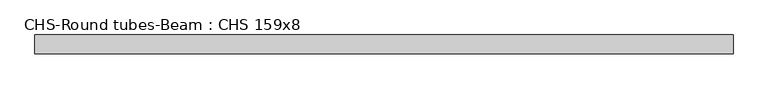
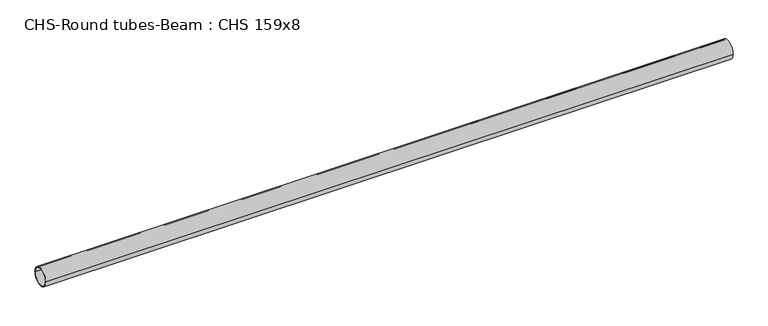
"""IFC4 building model written with IfcOpenShell, lengths in millimetres: beam geometry, CHS-Round tubes-Beam : CHS 159x8."""

import ifcopenshell
import ifcopenshell.guid

model = None  # the IFC model being written
_history = None  # IfcOwnerHistory: only IFC2X3 demands one
_inside = {}  # id of a spatial element -> (the spatial element, [elements in it])
_under = {}  # id of a project, library or spatial element -> (it, [spatial elements below it])
_declared = {}  # id of a project -> (the project, [libraries it declares])
_typed = {}  # id of a type object -> (the type object, [elements of that type])
_made_of = {}  # id of a material, layer set ... -> (it, [elements and type objects made of it])


def new_model(schema):
    """Start an empty IFC model of exactly this schema.

    Asked for "IFC4X3", IfcOpenShell would pick the latest addendum, in which some entities
    have other attributes; the version numbers below select the first issue.
    IFC2X3 requires an IfcOwnerHistory on every rooted entity: one is made here for all.
    """
    global model, _history
    if schema == "IFC4X3":
        model = ifcopenshell.file(schema_version=(4, 3, 0, 0))
    else:
        model = ifcopenshell.file(schema=schema)
    _inside.clear()
    _under.clear()
    _declared.clear()
    _typed.clear()
    _made_of.clear()
    _history = None
    if model.schema == "IFC2X3":
        org = make("IfcOrganization", Name="unknown")
        user = make(
            "IfcPersonAndOrganization",
            ThePerson=make("IfcPerson", FamilyName="unknown"),
            TheOrganization=org,
        )
        app = make(
            "IfcApplication",
            ApplicationDeveloper=org,
            Version="unknown",
            ApplicationFullName="unknown",
            ApplicationIdentifier="unknown",
        )
        _history = make(
            "IfcOwnerHistory",
            OwningUser=user,
            OwningApplication=app,
            ChangeAction="ADDED",
            CreationDate=0,
        )
    return model


def make(cls, **values):
    """One entity of the class cls with the attributes given. An attribute that is None is left unset."""
    return model.create_entity(
        cls, **{name: value for name, value in values.items() if value is not None}
    )


def rooted(cls, **values):
    """An entity with a GlobalId (a new one), such as an element, a storey or a relation."""
    return make(cls, GlobalId=ifcopenshell.guid.new(), OwnerHistory=_history, **values)


def si_unit(unit_type, name, prefix=None):
    """IfcSIUnit, for example si_unit("LENGTHUNIT", "METRE", prefix="MILLI")."""
    return make("IfcSIUnit", UnitType=unit_type, Prefix=prefix, Name=name)


def assignment(units):
    """IfcUnitAssignment: the units of a project."""
    return None if units is None else make("IfcUnitAssignment", Units=units)


def point(xyz):
    """IfcCartesianPoint."""
    return None if xyz is None else make("IfcCartesianPoint", Coordinates=xyz)


def direction(xyz):
    """IfcDirection."""
    return None if xyz is None else make("IfcDirection", DirectionRatios=xyz)


def frame(location, z_axis=None, x_axis=None):
    """IfcAxis2Placement3D, a coordinate frame: its origin and axes. An axis left out is left unset."""
    return make(
        "IfcAxis2Placement3D",
        Location=point(location),
        Axis=direction(z_axis),
        RefDirection=direction(x_axis),
    )


def frame_2d(location, x_axis=None):
    """IfcAxis2Placement2D, a coordinate frame in the plane: its origin and x axis."""
    return make(
        "IfcAxis2Placement2D", Location=point(location), RefDirection=direction(x_axis)
    )


def origin():
    """The frame at (0, 0, 0) with its axes left unset."""
    return frame((0.0, 0.0, 0.0))


def origin_2d():
    """The frame at (0, 0) in the plane with its x axis left unset."""
    return frame_2d((0.0, 0.0))


def place(relative_to, where):
    """IfcLocalPlacement: puts the frame where relative to a parent placement (None: the world)."""
    return make(
        "IfcLocalPlacement", PlacementRelTo=relative_to, RelativePlacement=where
    )


def context(
    kind, dimensions, precision=None, world=None, true_north=None, identifier=None
):
    """IfcGeometricRepresentationContext, for example the 3D "Model" context."""
    return make(
        "IfcGeometricRepresentationContext",
        ContextIdentifier=identifier,
        ContextType=kind,
        CoordinateSpaceDimension=dimensions,
        Precision=precision,
        WorldCoordinateSystem=world,
        TrueNorth=true_north,
    )


def project(units=None, contexts=None):
    """IfcProject with its units and contexts."""
    return rooted(
        "IfcProject",
        Name="project",
        RepresentationContexts=contexts,
        UnitsInContext=assignment(units),
    )


def spatial(cls, under=None, at=None, **own):
    """A site, building, storey or space (cls), placed at a placement, below another one or the project."""
    s = rooted(cls, ObjectPlacement=at, **own)
    if under is not None:
        _under.setdefault(under.id(), (under, []))[1].append(s)
    return s


def circle_curve(where, radius):
    """IfcCircle in the frame where."""
    return make("IfcCircle", Position=where, Radius=radius)


def trimmed(basis, trim1, trim2, sense, master):
    """IfcTrimmedCurve: the piece of a basis curve between two trims."""
    return make(
        "IfcTrimmedCurve",
        BasisCurve=basis,
        Trim1=trim1,
        Trim2=trim2,
        SenseAgreement=sense,
        MasterRepresentation=master,
    )


def segment(curve, same_sense, transition):
    """IfcCompositeCurveSegment."""
    return make(
        "IfcCompositeCurveSegment",
        Transition=transition,
        SameSense=same_sense,
        ParentCurve=curve,
    )


def composite_curve(segments, self_intersect=None):
    """IfcCompositeCurve: segments joined end to end."""
    return make("IfcCompositeCurve", Segments=segments, SelfIntersect=self_intersect)


def outline(outer, holes=None, kind="AREA"):
    """IfcArbitraryClosedProfileDef: a profile drawn as a closed curve; with holes, ...WithVoids."""
    if holes is None:
        return make("IfcArbitraryClosedProfileDef", ProfileType=kind, OuterCurve=outer)
    return make(
        "IfcArbitraryProfileDefWithVoids",
        ProfileType=kind,
        OuterCurve=outer,
        InnerCurves=holes,
    )


def extrude(swept, where, along, depth):
    """IfcExtrudedAreaSolid: the profile swept, set in the frame where, extruded along a direction by depth."""
    return make(
        "IfcExtrudedAreaSolid",
        SweptArea=swept,
        Position=where,
        ExtrudedDirection=direction(along),
        Depth=depth,
    )


def shape(context_of_items, identifier, shape_type, items):
    """IfcShapeRepresentation: the items that make up one representation, for example the "Body"."""
    return make(
        "IfcShapeRepresentation",
        ContextOfItems=context_of_items,
        RepresentationIdentifier=identifier,
        RepresentationType=shape_type,
        Items=items,
    )


def source(mapping_origin, context_of_items, identifier, shape_type, items):
    """IfcRepresentationMap: a shape defined once, which mapped items show again and again."""
    return make(
        "IfcRepresentationMap",
        MappingOrigin=mapping_origin,
        MappedRepresentation=shape(context_of_items, identifier, shape_type, items),
    )


def transform(
    local_origin,
    x_axis=None,
    y_axis=None,
    z_axis=None,
    scale=None,
    scale2=None,
    scale3=None,
    uniform=True,
):
    """IfcCartesianTransformationOperator3D, or its non-uniform kind. x_axis, y_axis, z_axis: its Axis1, 2, 3."""
    if uniform:
        return make(
            "IfcCartesianTransformationOperator3D",
            Axis1=direction(x_axis),
            Axis2=direction(y_axis),
            LocalOrigin=point(local_origin),
            Scale=scale,
            Axis3=direction(z_axis),
        )
    return make(
        "IfcCartesianTransformationOperator3DnonUniform",
        Axis1=direction(x_axis),
        Axis2=direction(y_axis),
        LocalOrigin=point(local_origin),
        Scale=scale,
        Axis3=direction(z_axis),
        Scale2=scale2,
        Scale3=scale3,
    )


def mapped(mapping_source, mapping_target):
    """IfcMappedItem: shows the shape of a source again, moved by a transform."""
    return make(
        "IfcMappedItem", MappingSource=mapping_source, MappingTarget=mapping_target
    )


def made_of(thing, what):
    """Note that an element or type object is made of a material, layer set ...; save() writes the relation."""
    if what is not None:
        _made_of.setdefault(what.id(), (what, []))[1].append(thing)
    return thing


def element(
    cls,
    number,
    at=None,
    inside=None,
    cuts=None,
    type_object=None,
    material=None,
    context=None,
    identifier="Body",
    shape_type=None,
    held_by="IfcProductDefinitionShape",
    body=None,
    shapes=None,
    **own,
):
    """One element of the class cls, such as IfcWall. Its Tag is "e" and its number.

    at: its placement. inside: the storey or other place that contains it. cuts: it is an
    opening in that element (IfcRelVoidsElement). A single representation is given by context,
    identifier, shape_type and body (its items); several are given by shapes. held_by: the class
    of the entity that holds the representations. save() writes the other relations.
    """
    e = rooted(cls, Tag="e%d" % number, ObjectPlacement=at, **own)
    if body is not None:
        shapes = [shape(context, identifier, shape_type, body)]
    if shapes is not None:
        e.Representation = make(held_by, Representations=shapes)
    if inside is not None:
        _inside.setdefault(inside.id(), (inside, []))[1].append(e)
    if cuts is not None:
        rooted(
            "IfcRelVoidsElement", RelatingBuildingElement=cuts, RelatedOpeningElement=e
        )
    if type_object is not None:
        _typed.setdefault(type_object.id(), (type_object, []))[1].append(e)
    return made_of(e, material)


def aggregate(whole, parts):
    """IfcRelAggregates: a whole, such as a stair, and the parts it consists of."""
    return rooted("IfcRelAggregates", RelatingObject=whole, RelatedObjects=parts)


def save(model, path):
    """Write the relations noted so far, then the file.

    IfcRelAggregates (storeys below a building ...), IfcRelContainedInSpatialStructure (elements
    in a storey), IfcRelDefinesByType, IfcRelAssociatesMaterial and IfcRelDeclares: one each for
    every whole, place, type object, material and project.
    """
    for whole, parts in _under.values():
        aggregate(whole, parts)
    for where, things in _inside.values():
        rooted(
            "IfcRelContainedInSpatialStructure",
            RelatedElements=things,
            RelatingStructure=where,
        )
    for kind, things in _typed.values():
        rooted("IfcRelDefinesByType", RelatedObjects=things, RelatingType=kind)
    for what, things in _made_of.values():
        rooted("IfcRelAssociatesMaterial", RelatedObjects=things, RelatingMaterial=what)
    for by, libraries in _declared.values():
        rooted("IfcRelDeclares", RelatingContext=by, RelatedDefinitions=libraries)
    model.write(path)


def chs_round_tubes_beam_chs_159x8_0bf3aaba(model_context):
    return source(origin(), model_context, "Body", "SweptSolid", [
        extrude(outline(composite_curve([segment(trimmed(circle_curve(origin_2d(), 79.5), [point((79.5, 0.0))], [point((-79.5, 0.0))], False, "CARTESIAN"), True, "CONTINUOUS"), segment(trimmed(circle_curve(origin_2d(), 79.5), [point((-79.5, 0.0))], [point((79.5, 0.0))], False, "CARTESIAN"), True, "CONTINUOUS")], self_intersect=False), holes=[composite_curve([segment(trimmed(circle_curve(origin_2d(), 71.5), [point((71.5, 0.0))], [point((-71.5, 0.0))], True, "CARTESIAN"), True, "CONTINUOUS"), segment(trimmed(circle_curve(origin_2d(), 71.5), [point((-71.5, 0.0))], [point((71.5, 0.0))], True, "CARTESIAN"), True, "CONTINUOUS")], self_intersect=False)]), frame((-2952.4325509, 0.0, 0.0), z_axis=(1.0, 0.0, 0.0), x_axis=(0.0, 1.0, 0.0)), (0.0, 0.0, 1.0), 5904.8651018),
    ])


if __name__ == "__main__":
    model = new_model("IFC4")
    model_context = context("Model", 3, world=origin())
    ifc_project = project(units=[si_unit("LENGTHUNIT", "METRE", prefix="MILLI")], contexts=[model_context])
    site = spatial("IfcSite", under=ifc_project)
    building = spatial("IfcBuilding", under=site)
    placement = place(None, origin())
    chs_round_tubes_beam_chs_159x8_shape = chs_round_tubes_beam_chs_159x8_0bf3aaba(model_context)
    element("IfcBeam", 1, ObjectType="CHS-Round tubes-Beam : CHS 159x8", at=placement, inside=building, context=model_context, shape_type="MappedRepresentation", body=[
        mapped(chs_round_tubes_beam_chs_159x8_shape, transform((0.0, 0.0, 0.0), x_axis=(1.0, 0.0, 0.0), y_axis=(0.0, 1.0, 0.0), z_axis=(0.0, 0.0, 1.0))),
    ])
    save(model, "model.ifc")
